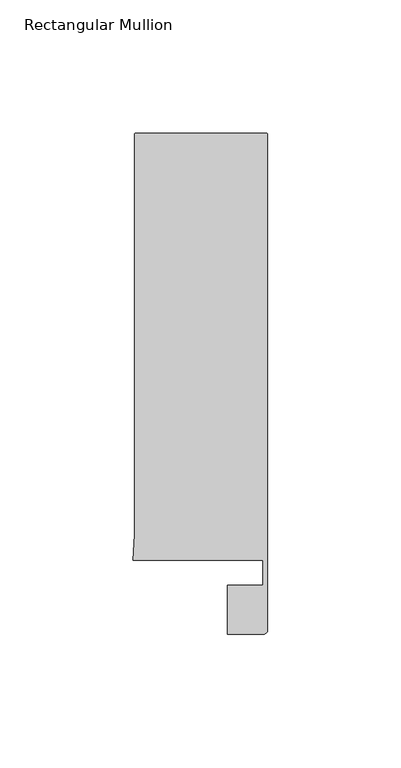
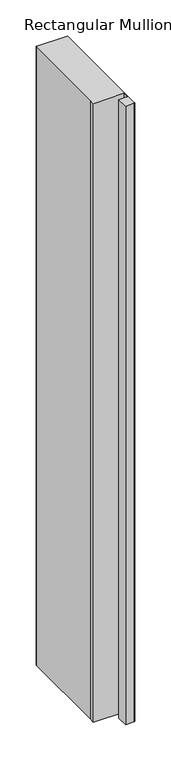
"""IFC4 building model written with IfcOpenShell, lengths in millimetres: member geometry, Rectangular Mullion."""

from ifc_helpers import new_model, si_unit, point, frame, frame_2d, origin, place, context, project, spatial, polyline, circle_curve, trimmed, segment, composite_curve, outline, extrude, source, transform, mapped, element, save


def rectangular_mullion_852ec829(model_context):
    return source(origin(), model_context, "Body", "SweptSolid", [
        extrude(outline(composite_curve([segment(polyline([(-49.4643516, 173.9954336), (-0.4995298, 173.9954336)]), True, "CONTINUOUS"), segment(trimmed(circle_curve(frame_2d((-0.4995298, 173.4959038)), 0.4995298), [point((-0.4995298, 173.9954336))], [point((0.0, 173.4959038))], False, "CARTESIAN"), True, "CONTINUOUS"), segment(polyline([(0.0, 173.4959038), (0.0, 14.0), (0.0, -12.3070627)]), True, "CONTINUOUS"), segment(trimmed(circle_curve(frame_2d((-1.5, -12.3070627)), 1.5), [point((0.0, -12.3070627))], [point((-1.5, -13.8070627))], False, "CARTESIAN"), True, "CONTINUOUS"), segment(polyline([(-1.5, -13.8070627), (-15.0, -13.8070627), (-15.0, 4.6022209), (-1.8, 4.6022209), (-1.8, 14.0), (-50.4480466, 14.0), (-50.0, 23.4857005), (-50.0, 173.4597852)]), True, "CONTINUOUS"), segment(trimmed(circle_curve(frame_2d((-49.4643516, 173.4597852)), 0.5356484), [point((-50.0, 173.4597852))], [point((-49.4643516, 173.9954336))], False, "CARTESIAN"), True, "CONTINUOUS")], self_intersect=False)), frame((0.0, 0.0, -1050.0), z_axis=(0.0, 0.0, 1.0), x_axis=(1.0, 0.0, 0.0)), (0.0, 0.0, 1.0), 1050.0),
    ])


if __name__ == "__main__":
    model = new_model("IFC4")
    model_context = context("Model", 3, world=origin())
    ifc_project = project(units=[si_unit("LENGTHUNIT", "METRE", prefix="MILLI")], contexts=[model_context])
    site = spatial("IfcSite", under=ifc_project)
    building = spatial("IfcBuilding", under=site)
    placement = place(None, origin())
    rectangular_mullion_shape = rectangular_mullion_852ec829(model_context)
    element("IfcMember", 1, ObjectType="Rectangular Mullion", at=placement, inside=building, context=model_context, shape_type="MappedRepresentation", body=[
        mapped(rectangular_mullion_shape, transform((0.0, 0.0, 0.0), x_axis=(1.0, 0.0, 0.0), y_axis=(0.0, 1.0, 0.0), z_axis=(0.0, 0.0, 1.0))),
    ])
    save(model, "model.ifc")
